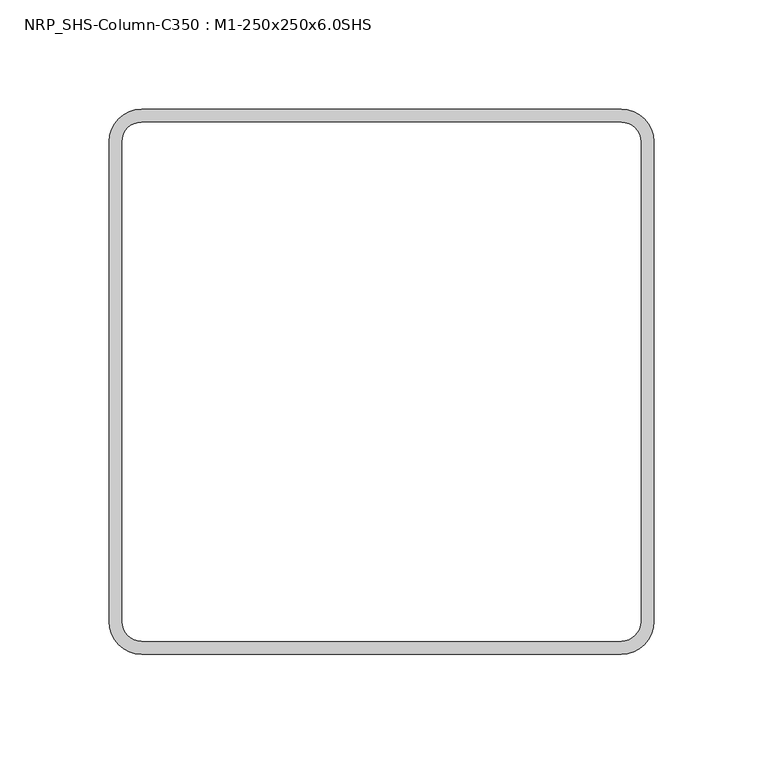
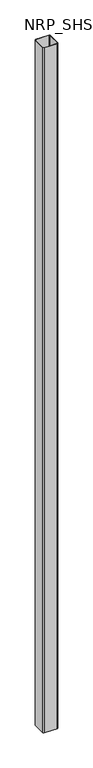
"""IFC4 building model written with IfcOpenShell, lengths in millimetres: column geometry, NRP_SHS-Column-C350 : M1-250x250x6.0SHS."""

from ifc_helpers import new_model, si_unit, point, frame, frame_2d, origin, place, context, project, spatial, polyline, circle_curve, trimmed, segment, composite_curve, outline, extrude, source, transform, mapped, element, save


def nrp_shs_column_c350_m1_250x250x6_0shs_bedb0feb(model_context):
    return source(origin(), model_context, "Body", "SweptSolid", [
        extrude(outline(composite_curve([segment(polyline([(110.0, -125.0), (-110.0, -125.0)]), True, "CONTINUOUS"), segment(trimmed(circle_curve(frame_2d((-110.0, -110.0)), 15.0), [point((-110.0, -125.0))], [point((-125.0, -110.0))], False, "CARTESIAN"), True, "CONTINUOUS"), segment(polyline([(-125.0, -110.0), (-125.0, 110.0)]), True, "CONTINUOUS"), segment(trimmed(circle_curve(frame_2d((-110.0, 110.0)), 15.0), [point((-125.0, 110.0))], [point((-110.0, 125.0))], False, "CARTESIAN"), True, "CONTINUOUS"), segment(polyline([(-110.0, 125.0), (110.0, 125.0)]), True, "CONTINUOUS"), segment(trimmed(circle_curve(frame_2d((110.0, 110.0)), 15.0), [point((110.0, 125.0))], [point((125.0, 110.0))], False, "CARTESIAN"), True, "CONTINUOUS"), segment(polyline([(125.0, 110.0), (125.0, -110.0)]), True, "CONTINUOUS"), segment(trimmed(circle_curve(frame_2d((110.0, -110.0)), 15.0), [point((125.0, -110.0))], [point((110.0, -125.0))], False, "CARTESIAN"), True, "CONTINUOUS")], self_intersect=False), holes=[composite_curve([segment(trimmed(circle_curve(frame_2d((110.0, -110.0)), 9.0), [point((110.0, -119.0))], [point((119.0, -110.0))], True, "CARTESIAN"), True, "CONTINUOUS"), segment(polyline([(119.0, -110.0), (119.0, 110.0)]), True, "CONTINUOUS"), segment(trimmed(circle_curve(frame_2d((110.0, 110.0)), 9.0), [point((119.0, 110.0))], [point((110.0, 119.0))], True, "CARTESIAN"), True, "CONTINUOUS"), segment(polyline([(110.0, 119.0), (-110.0, 119.0)]), True, "CONTINUOUS"), segment(trimmed(circle_curve(frame_2d((-110.0, 110.0)), 9.0), [point((-110.0, 119.0))], [point((-119.0, 110.0))], True, "CARTESIAN"), True, "CONTINUOUS"), segment(polyline([(-119.0, 110.0), (-119.0, -110.0)]), True, "CONTINUOUS"), segment(trimmed(circle_curve(frame_2d((-110.0, -110.0)), 9.0), [point((-119.0, -110.0))], [point((-110.0, -119.0))], True, "CARTESIAN"), True, "CONTINUOUS"), segment(polyline([(-110.0, -119.0), (110.0, -119.0)]), True, "CONTINUOUS")], self_intersect=False)]), frame((0.0, 0.0, 45550.0), z_axis=(0.0, 0.0, 1.0), x_axis=(1.0, 0.0, 0.0)), (0.0, 0.0, 1.0), 12357.7848989),
    ])


if __name__ == "__main__":
    model = new_model("IFC4")
    model_context = context("Model", 3, world=origin())
    ifc_project = project(units=[si_unit("LENGTHUNIT", "METRE", prefix="MILLI")], contexts=[model_context])
    site = spatial("IfcSite", under=ifc_project)
    building = spatial("IfcBuilding", under=site)
    placement = place(None, origin())
    nrp_shs_column_c350_m1_250x250x6_0shs_shape = nrp_shs_column_c350_m1_250x250x6_0shs_bedb0feb(model_context)
    element("IfcColumn", 1, ObjectType="NRP_SHS-Column-C350 : M1-250x250x6.0SHS", at=placement, inside=building, context=model_context, shape_type="MappedRepresentation", body=[
        mapped(nrp_shs_column_c350_m1_250x250x6_0shs_shape, transform((0.0, 0.0, 0.0), x_axis=(1.0, 0.0, 0.0), y_axis=(0.0, 1.0, 0.0), z_axis=(0.0, 0.0, 1.0))),
    ])
    save(model, "model.ifc")
